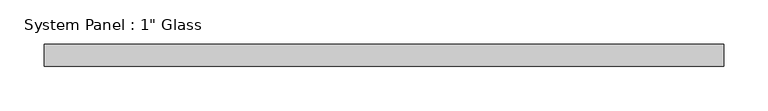
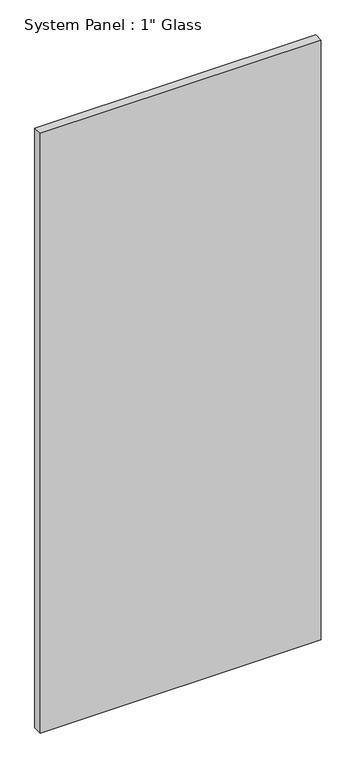
"""IFC4 building model written with IfcOpenShell, lengths in millimetres: plate geometry."""

from ifc_helpers import new_model, si_unit, origin, origin_with_axes, place, context, project, spatial, polyline, outline, extrude, source, transform, mapped, element, save


def plate_d1c28dfc(model_context):
    return source(origin(), model_context, "Body", "SweptSolid", [
        extrude(outline(polyline([(385.7625, -12.7), (-385.7625, -12.7), (-385.7625, 12.7), (385.7625, 12.7), (385.7625, -12.7)])), origin_with_axes(), (0.0, 0.0, 1.0), 1739.9),
    ])


if __name__ == "__main__":
    model = new_model("IFC4")
    model_context = context("Model", 3, world=origin())
    ifc_project = project(units=[si_unit("LENGTHUNIT", "METRE", prefix="MILLI")], contexts=[model_context])
    site = spatial("IfcSite", under=ifc_project)
    building = spatial("IfcBuilding", under=site)
    placement = place(None, origin())
    plate_shape = plate_d1c28dfc(model_context)
    element("IfcPlate", 1, ObjectType="System Panel : 1\" Glass", at=placement, inside=building, context=model_context, shape_type="MappedRepresentation", body=[
        mapped(plate_shape, transform((0.0, 0.0, 0.0), x_axis=(1.0, 0.0, 0.0), y_axis=(0.0, 1.0, 0.0), z_axis=(0.0, 0.0, 1.0))),
    ])
    save(model, "model.ifc")
